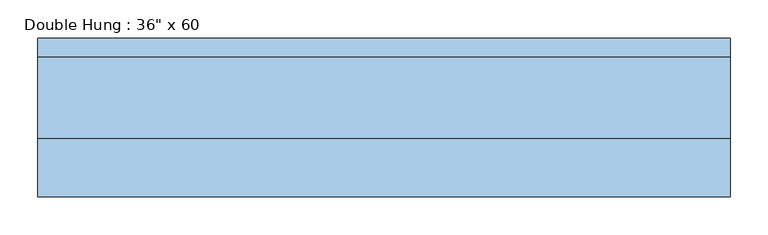
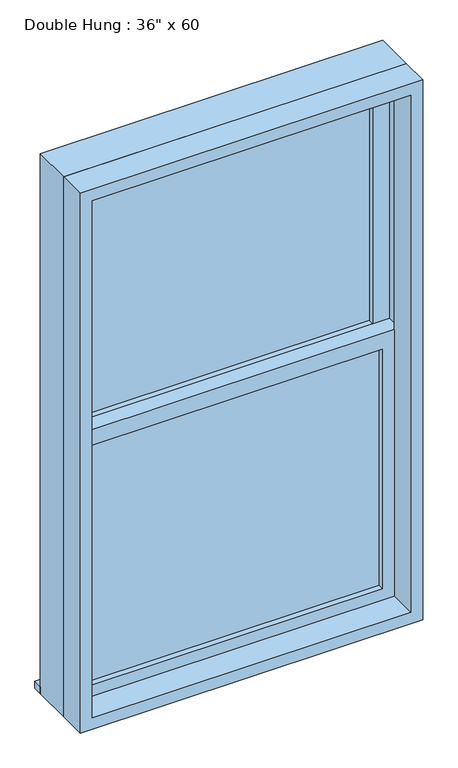
"""IFC4 building model written with IfcOpenShell, lengths in millimetres: window geometry."""

from ifc_helpers import new_model, si_unit, frame, origin, place, context, project, spatial, polyline, outline, extrude, source, transform, mapped, element, save


def window_ac40758a(model_context):
    return source(origin(), model_context, "Body", "SweptSolid", [
        extrude(outline(polyline([(-393.7, 12.7), (393.7, 12.7), (393.7, 0.0), (-393.7, 0.0), (-393.7, 12.7)])), frame((0.0, 0.0, 368.3), z_axis=(0.0, 0.0, 1.0), x_axis=(1.0, 0.0, 0.0)), (0.0, 0.0, 1.0), 676.275),
        extrude(outline(polyline([(1089.025, -438.15), (323.85, -438.15), (323.85, 438.15), (1089.025, 438.15), (1089.025, -438.15)]), holes=[polyline([(1044.575, -393.7), (1044.575, 393.7), (368.3, 393.7), (368.3, -393.7), (1044.575, -393.7)])]), frame((0.0, -15.875, 0.0), z_axis=(0.0, 1.0, 0.0), x_axis=(0.0, 0.0, 1.0)), (0.0, 0.0, 1.0), 44.45),
        extrude(outline(polyline([(-457.2, 117.475), (457.2, 117.475), (457.2, 92.075), (-457.2, 92.075), (-457.2, 117.475)])), frame((0.0, 0.0, 304.8), z_axis=(0.0, 0.0, 1.0), x_axis=(1.0, 0.0, 0.0)), (0.0, 0.0, 1.0), 19.05),
        extrude(outline(polyline([(393.7, 44.45), (-393.7, 44.45), (-393.7, 57.15), (393.7, 57.15), (393.7, 44.45)])), frame((0.0, 0.0, 1089.025), z_axis=(0.0, 0.0, 1.0), x_axis=(1.0, 0.0, 0.0)), (0.0, 0.0, 1.0), 676.275),
        extrude(outline(polyline([(1809.75, -438.15), (1044.575, -438.15), (1044.575, 438.15), (1809.75, 438.15), (1809.75, -438.15)]), holes=[polyline([(1765.3, -393.7), (1765.3, 393.7), (1089.025, 393.7), (1089.025, -393.7), (1765.3, -393.7)])]), frame((0.0, 28.575, 0.0), z_axis=(0.0, 1.0, 0.0), x_axis=(0.0, 0.0, 1.0)), (0.0, 0.0, 1.0), 44.45),
        extrude(outline(polyline([(1828.8, -457.2), (304.8, -457.2), (304.8, 457.2), (1828.8, 457.2), (1828.8, -457.2)]), holes=[polyline([(1797.05, -425.45), (1797.05, 425.45), (336.55, 425.45), (336.55, -425.45), (1797.05, -425.45)])]), frame((0.0, -92.075, 0.0), z_axis=(0.0, 1.0, 0.0), x_axis=(0.0, 0.0, 1.0)), (0.0, 0.0, 1.0), 76.2),
        extrude(outline(polyline([(1828.8, 457.2), (1828.8, -457.2), (304.8, -457.2), (304.8, 457.2), (1828.8, 457.2)]), holes=[polyline([(1809.75, 438.15), (323.85, 438.15), (323.85, -438.15), (1809.75, -438.15), (1809.75, 438.15)])]), frame((0.0, -15.875, 0.0), z_axis=(0.0, 1.0, 0.0), x_axis=(0.0, 0.0, 1.0)), (0.0, 0.0, 1.0), 107.95),
    ])


if __name__ == "__main__":
    model = new_model("IFC4")
    model_context = context("Model", 3, world=origin())
    ifc_project = project(units=[si_unit("LENGTHUNIT", "METRE", prefix="MILLI")], contexts=[model_context])
    site = spatial("IfcSite", under=ifc_project)
    building = spatial("IfcBuilding", under=site)
    placement = place(None, origin())
    window_shape = window_ac40758a(model_context)
    element("IfcWindow", 1, ObjectType="Double Hung : 36\" x 60", at=placement, inside=building, context=model_context, shape_type="MappedRepresentation", body=[
        mapped(window_shape, transform((0.0, 0.0, 0.0), x_axis=(1.0, 0.0, 0.0), y_axis=(0.0, 1.0, 0.0), z_axis=(0.0, 0.0, 1.0))),
    ])
    save(model, "model.ifc")
